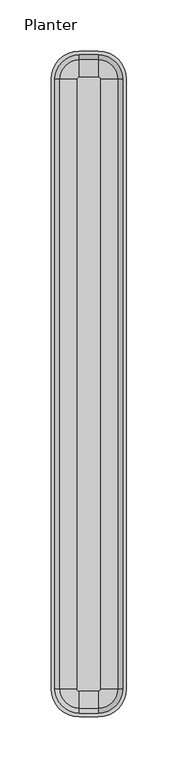
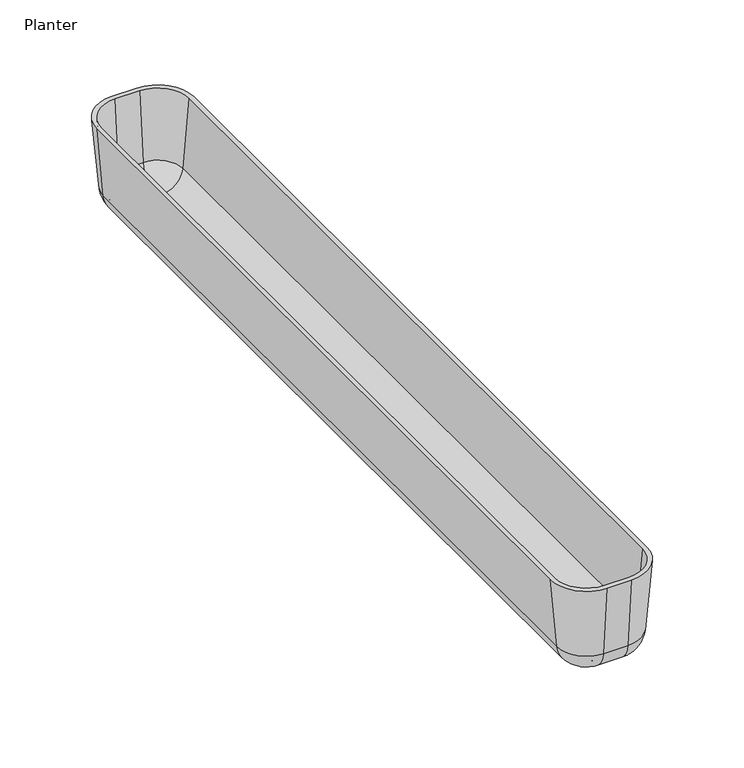
"""IFC4 building model written with IfcOpenShell, lengths in millimetres: furniture geometry, Planter."""

from ifc_helpers import new_model, si_unit, point, frame, origin, place, context, project, spatial, polyline, circle_curve, ellipse_curve, trimmed, source, transform, mapped, element, save
from ifc_brep_helpers import plane_surface, cylinder_surface, revolved_surface, advanced_brep


def planter_e9aa8756(model_context):
    return source(origin(), model_context, "Body", "AdvancedBrep", [
        advanced_brep(
        [(-9.4480736, 326.4806307, 525.2987367), (-9.4480736, 346.2134859, 543.3805671), (8.9373537, 346.2134859, 543.3805671), (8.9373537, 326.4806307, 525.2987367), (-9.4480736, 342.5832981, 544.3008765), (-9.4480736, 325.8865844, 529.0069667), (8.9373537, 325.8865844, 529.0069667), (8.9373537, 342.5832981, 544.3008765), (8.9373537, 347.3860828, 598.9587754), (-9.4480736, 347.3860828, 598.9587754), (-9.4480736, 351.075949, 598.9587754), (8.9373537, 351.075949, 598.9587754), (12.0359728, 323.3820115, 525.2987367), (31.768828, 323.3820115, 543.3805671), (31.768828, -272.6679521, 543.3805671), (12.0359728, -272.6679521, 525.2987367), (28.1386403, 323.3820115, 544.3008765), (11.4419265, 323.3820115, 529.0069667), (11.4419265, -272.6679521, 529.0069667), (28.1386403, -272.6679521, 544.3008765), (32.941425, -272.6679521, 598.9587754), (32.941425, 323.3820115, 598.9587754), (36.6312912, 323.3820115, 598.9587754), (36.6312912, -272.6679521, 598.9587754), (8.9373537, -275.7665712, 525.2987367), (8.9373537, -295.4994264, 543.3805671), (-9.4480736, -295.4994264, 543.3805671), (-9.4480736, -275.7665712, 525.2987367), (8.9373537, -291.8692387, 544.3008765), (8.9373537, -275.1725249, 529.0069667), (-9.4480736, -275.1725249, 529.0069667), (-9.4480736, -291.8692387, 544.3008765), (-9.4480736, -296.6720234, 598.9587754), (8.9373537, -296.6720234, 598.9587754), (8.9373537, -300.3618896, 598.9587754), (-9.4480736, -300.3618896, 598.9587754), (-12.5466927, -272.6679521, 525.2987367), (-32.2795479, -272.6679521, 543.3805671), (-32.2795479, 323.3820115, 543.3805671), (-12.5466927, 323.3820115, 525.2987367), (-28.6493602, -272.6679521, 544.3008765), (-11.9526464, -272.6679521, 529.0069667), (-11.9526464, 323.3820115, 529.0069667), (-28.6493602, 323.3820115, 544.3008765), (-33.4521448, 323.3820115, 598.9587754), (-33.4521448, -272.6679521, 598.9587754), (-37.1420111, -272.6679521, 598.9587754), (-37.1420111, 323.3820115, 598.9587754)],
        [
            (0, 1, circle_curve(frame((-9.4480736, 326.4806307, 545.1069682), z_axis=(1.0, 0.0, 0.0), x_axis=(0.0, 1.0, 0.0)), 19.8082315)),
            (1, 2),
            (2, 3, circle_curve(frame((8.9373537, 326.4806307, 545.1069682), z_axis=(-1.0, 0.0, 0.0), x_axis=(0.0, 1.0, 0.0)), 19.8082315)),
            (3, 0),
            (4, 5, circle_curve(frame((-9.4480736, 325.8865844, 545.7680152), z_axis=(-1.0, 0.0, 0.0), x_axis=(0.0, -1.0, 0.0)), 16.7610485)),
            (5, 6),
            (6, 7, circle_curve(frame((8.9373537, 325.8865844, 545.7680152), z_axis=(1.0, 0.0, 0.0), x_axis=(0.0, -1.0, 0.0)), 16.7610485)),
            (7, 4),
            (7, 8),
            (8, 9),
            (9, 4),
            (1, 10),
            (10, 11),
            (11, 2),
            (12, 13, circle_curve(frame((12.0359728, 323.3820115, 545.1069682), z_axis=(0.0, -1.0, 0.0), x_axis=(1.0, 0.0, 0.0)), 19.8082315)),
            (13, 14),
            (14, 15, circle_curve(frame((12.0359728, -272.6679521, 545.1069682), z_axis=(0.0, 1.0, 0.0), x_axis=(1.0, 0.0, 0.0)), 19.8082315)),
            (15, 12),
            (16, 17, circle_curve(frame((11.4419265, 323.3820115, 545.7680152), z_axis=(0.0, 1.0, 0.0), x_axis=(-1.0, 0.0, 0.0)), 16.7610485)),
            (17, 18),
            (18, 19, circle_curve(frame((11.4419265, -272.6679521, 545.7680152), z_axis=(0.0, -1.0, 0.0), x_axis=(-1.0, 0.0, 0.0)), 16.7610485)),
            (19, 16),
            (19, 20),
            (20, 21),
            (21, 16),
            (13, 22),
            (22, 23),
            (23, 14),
            (24, 25, circle_curve(frame((8.9373537, -275.7665712, 545.1069682), z_axis=(-1.0, 0.0, 0.0), x_axis=(0.0, -1.0, 0.0)), 19.8082315)),
            (25, 26),
            (26, 27, circle_curve(frame((-9.4480736, -275.7665712, 545.1069682), z_axis=(1.0, 0.0, 0.0), x_axis=(0.0, -1.0, 0.0)), 19.8082315)),
            (27, 24),
            (28, 29, circle_curve(frame((8.9373537, -275.1725249, 545.7680152), z_axis=(1.0, 0.0, 0.0), x_axis=(0.0, 1.0, 0.0)), 16.7610485)),
            (29, 30),
            (30, 31, circle_curve(frame((-9.4480736, -275.1725249, 545.7680152), z_axis=(-1.0, 0.0, 0.0), x_axis=(0.0, 1.0, 0.0)), 16.7610485)),
            (31, 28),
            (31, 32),
            (32, 33),
            (33, 28),
            (25, 34),
            (34, 35),
            (35, 26),
            (36, 37, circle_curve(frame((-12.5466927, -272.6679521, 545.1069682), z_axis=(0.0, 1.0, 0.0), x_axis=(-1.0, 0.0, 0.0)), 19.8082315)),
            (37, 38),
            (38, 39, circle_curve(frame((-12.5466927, 323.3820115, 545.1069682), z_axis=(0.0, -1.0, 0.0), x_axis=(-1.0, 0.0, 0.0)), 19.8082315)),
            (39, 36),
            (40, 41, circle_curve(frame((-11.9526464, -272.6679521, 545.7680152), z_axis=(0.0, -1.0, 0.0), x_axis=(1.0, 0.0, 0.0)), 16.7610485)),
            (41, 42),
            (42, 43, circle_curve(frame((-11.9526464, 323.3820115, 545.7680152), z_axis=(0.0, 1.0, 0.0), x_axis=(1.0, 0.0, 0.0)), 16.7610485)),
            (43, 40),
            (43, 44),
            (44, 45),
            (45, 40),
            (37, 46),
            (46, 47),
            (47, 38),
            (0, 39, circle_curve(frame((-9.4480736, 323.3820115, 525.2987367), z_axis=(0.0, 0.0, 1.0), x_axis=(-1.0, 0.0, 0.0)), 3.0986191)),
            (38, 1, circle_curve(frame((-9.4480736, 323.3820115, 543.3805671), z_axis=(0.0, 0.0, -1.0), x_axis=(-1.0, 0.0, 0.0)), 22.8314743)),
            (4, 43, circle_curve(frame((-9.4480736, 323.3820115, 544.3008765), z_axis=(0.0, 0.0, 1.0), x_axis=(-1.0, 0.0, 0.0)), 19.2012866)),
            (42, 5, circle_curve(frame((-9.4480736, 323.3820115, 529.0069667), z_axis=(0.0, 0.0, -1.0), x_axis=(-1.0, 0.0, 0.0)), 2.5045728)),
            (9, 44, circle_curve(frame((-9.4480736, 323.3820115, 598.9587754), z_axis=(0.0, 0.0, 1.0), x_axis=(-1.0, 0.0, 0.0)), 24.0040713)),
            (47, 10, circle_curve(frame((-9.4480736, 323.3820115, 598.9587754), z_axis=(0.0, 0.0, -1.0), x_axis=(-1.0, 0.0, 0.0)), 27.6939375)),
            (2, 13, circle_curve(frame((8.9373537, 323.3820115, 543.3805671), z_axis=(0.0, 0.0, -1.0), x_axis=(0.0, 1.0, 0.0)), 22.8314743)),
            (12, 3, circle_curve(frame((8.9373537, 323.3820115, 525.2987367), z_axis=(0.0, 0.0, 1.0), x_axis=(0.0, 1.0, 0.0)), 3.0986191)),
            (6, 17, circle_curve(frame((8.9373537, 323.3820115, 529.0069667), z_axis=(0.0, 0.0, -1.0), x_axis=(0.0, 1.0, 0.0)), 2.5045728)),
            (16, 7, circle_curve(frame((8.9373537, 323.3820115, 544.3008765), z_axis=(0.0, 0.0, 1.0), x_axis=(0.0, 1.0, 0.0)), 19.2012866)),
            (21, 8, circle_curve(frame((8.9373537, 323.3820115, 598.9587754), z_axis=(0.0, 0.0, 1.0), x_axis=(0.0, 1.0, 0.0)), 24.0040713)),
            (11, 22, circle_curve(frame((8.9373537, 323.3820115, 598.9587754), z_axis=(0.0, 0.0, -1.0), x_axis=(0.0, 1.0, 0.0)), 27.6939375)),
            (14, 25, circle_curve(frame((8.9373537, -272.6679521, 543.3805671), z_axis=(0.0, 0.0, -1.0), x_axis=(1.0, 0.0, 0.0)), 22.8314743)),
            (24, 15, circle_curve(frame((8.9373537, -272.6679521, 525.2987367), z_axis=(0.0, 0.0, 1.0), x_axis=(1.0, 0.0, 0.0)), 3.0986191)),
            (18, 29, circle_curve(frame((8.9373537, -272.6679521, 529.0069667), z_axis=(0.0, 0.0, -1.0), x_axis=(1.0, 0.0, 0.0)), 2.5045728)),
            (28, 19, circle_curve(frame((8.9373537, -272.6679521, 544.3008765), z_axis=(0.0, 0.0, 1.0), x_axis=(1.0, 0.0, 0.0)), 19.2012866)),
            (33, 20, circle_curve(frame((8.9373537, -272.6679521, 598.9587754), z_axis=(0.0, 0.0, 1.0), x_axis=(1.0, 0.0, 0.0)), 24.0040713)),
            (23, 34, circle_curve(frame((8.9373537, -272.6679521, 598.9587754), z_axis=(0.0, 0.0, -1.0), x_axis=(1.0, 0.0, 0.0)), 27.6939375)),
            (26, 37, circle_curve(frame((-9.4480736, -272.6679521, 543.3805671), z_axis=(0.0, 0.0, -1.0), x_axis=(0.0, -1.0, 0.0)), 22.8314743)),
            (36, 27, circle_curve(frame((-9.4480736, -272.6679521, 525.2987367), z_axis=(0.0, 0.0, 1.0), x_axis=(0.0, -1.0, 0.0)), 3.0986191)),
            (41, 30, circle_curve(frame((-9.4480736, -272.6679521, 529.0069667), z_axis=(0.0, 0.0, 1.0), x_axis=(0.0, -1.0, 0.0)), 2.5045728)),
            (40, 31, circle_curve(frame((-9.4480736, -272.6679521, 544.3008765), z_axis=(0.0, 0.0, 1.0), x_axis=(0.0, -1.0, 0.0)), 19.2012866)),
            (45, 32, circle_curve(frame((-9.4480736, -272.6679521, 598.9587754), z_axis=(0.0, 0.0, 1.0), x_axis=(0.0, -1.0, 0.0)), 24.0040713)),
            (46, 35, circle_curve(frame((-9.4480736, -272.6679521, 598.9587754), z_axis=(0.0, 0.0, 1.0), x_axis=(0.0, -1.0, 0.0)), 27.6939375)),
        ],
        [
            cylinder_surface(frame((-9.4480736, 326.4806307, 545.1069682), z_axis=(-1.0, 0.0, 0.0), x_axis=(0.0, 1.0, 0.0)), 19.8082315),
            revolved_surface(polyline([(8.9373537, 309.1255359, 545.7680152), (-9.4480736, 309.1255359, 545.7680152)]), (-9.4480736, 325.8865844, 545.7680152), (1.0, 0.0, 0.0)),
            plane_surface(frame((-9.4480736, 342.5832981, 544.3008765), z_axis=(0.0, -0.9961616524560776, 0.08753263491965149), x_axis=(1.0, 0.0, 0.0))),
            plane_surface(frame((-9.4480736, 351.075949, 598.9587754), z_axis=(0.0, 0.9961946980917454, -0.08715574274765936), x_axis=(1.0, 0.0, 0.0))),
            cylinder_surface(frame((12.0359728, 323.3820115, 545.1069682), z_axis=(0.0, 1.0, 0.0), x_axis=(1.0, 0.0, 0.0)), 19.8082315),
            revolved_surface(polyline([(-5.319122000000002, -272.6679521, 545.7680152), (-5.319122000000002, 323.3820115, 545.7680152)]), (11.4419265, 323.3820115, 545.7680152), (0.0, -1.0, 0.0)),
            plane_surface(frame((28.1386403, 323.3820115, 544.3008765), z_axis=(-0.9961616524560776, 0.0, 0.08753263491965149), x_axis=(0.0, -1.0, 0.0))),
            plane_surface(frame((36.6312912, 323.3820115, 598.9587754), z_axis=(0.9961946980917454, 0.0, -0.08715574274765936), x_axis=(0.0, -1.0, 0.0))),
            cylinder_surface(frame((8.9373537, -275.7665712, 545.1069682), z_axis=(1.0, 0.0, 0.0), x_axis=(0.0, -1.0, 0.0)), 19.8082315),
            revolved_surface(polyline([(-9.4480736, -258.41147639999997, 545.7680152), (8.9373537, -258.41147639999997, 545.7680152)]), (8.9373537, -275.1725249, 545.7680152), (-1.0, 0.0, 0.0)),
            plane_surface(frame((8.9373537, -291.8692387, 544.3008765), z_axis=(0.0, 0.9961616524560776, 0.08753263491965149), x_axis=(-1.0, 0.0, 0.0))),
            plane_surface(frame((8.9373537, -300.3618896, 598.9587754), z_axis=(0.0, -0.9961946980917454, -0.08715574274765936), x_axis=(-1.0, 0.0, 0.0))),
            cylinder_surface(frame((-12.5466927, -272.6679521, 545.1069682), z_axis=(0.0, -1.0, 0.0), x_axis=(-1.0, 0.0, 0.0)), 19.8082315),
            revolved_surface(polyline([(4.8084021, 323.3820115, 545.7680152), (4.8084021, -272.6679521, 545.7680152)]), (-11.9526464, -272.6679521, 545.7680152), (0.0, 1.0, 0.0)),
            plane_surface(frame((-28.6493602, -272.6679521, 544.3008765), z_axis=(0.9961616524560776, 0.0, 0.08753263491965149), x_axis=(0.0, 1.0, 0.0))),
            plane_surface(frame((-37.1420111, -272.6679521, 598.9587754), z_axis=(-0.9961946980917454, 0.0, -0.08715574274765936), x_axis=(0.0, 1.0, 0.0))),
            revolved_surface(trimmed(ellipse_curve(frame((-12.5466927, 323.3820115, 545.1069682), z_axis=(0.0, -1.0, 0.0), x_axis=(-1.0, 0.0, 0.0)), 19.8082315, 19.8082315), [point((-32.2795479, 323.3820115, 543.3805671))], [point((-12.5466927, 323.3820115, 525.2987367))], True, "CARTESIAN"), (-9.4480736, 323.3820115, 523.0318571), (0.0, 0.0, -1.0)),
            revolved_surface(trimmed(ellipse_curve(frame((-11.9526464, 323.3820115, 545.7680152), z_axis=(0.0, 1.0, 0.0), x_axis=(1.0, 0.0, 0.0)), 16.7610485, 16.7610485), [point((-11.9526464, 323.3820115, 529.0069667))], [point((-28.6493602, 323.3820115, 544.3008765))], True, "CARTESIAN"), (-9.4480736, 323.3820115, 523.0318571), (0.0, 0.0, -1.0)),
            revolved_surface(polyline([(-28.6493602, 323.3820115, 544.3008765), (-33.4521448, 323.3820115, 598.9587754)]), (-9.4480736, 323.3820115, 523.0318571), (0.0, 0.0, -1.0)),
            revolved_surface(polyline([(-37.1420111, 323.3820115, 598.9587754), (-32.2795479, 323.3820115, 543.3805671)]), (-9.4480736, 323.3820115, 523.0318571), (0.0, 0.0, -1.0)),
            revolved_surface(trimmed(ellipse_curve(frame((8.9373537, 326.4806307, 545.1069682), z_axis=(-1.0, 0.0, 0.0), x_axis=(0.0, 1.0, 0.0)), 19.8082315, 19.8082315), [point((8.9373537, 346.2134859, 543.3805671))], [point((8.9373537, 326.4806307, 525.2987367))], True, "CARTESIAN"), (8.9373537, 323.3820115, 523.0318571), (0.0, 0.0, -1.0)),
            revolved_surface(trimmed(ellipse_curve(frame((8.9373537, 325.8865844, 545.7680152), z_axis=(1.0, 0.0, 0.0), x_axis=(0.0, -1.0, 0.0)), 16.7610485, 16.7610485), [point((8.9373537, 325.8865844, 529.0069667))], [point((8.9373537, 342.5832981, 544.3008765))], True, "CARTESIAN"), (8.9373537, 323.3820115, 523.0318571), (0.0, 0.0, -1.0)),
            revolved_surface(polyline([(8.9373537, 342.5832981, 544.3008765), (8.9373537, 347.3860828, 598.9587754)]), (8.9373537, 323.3820115, 523.0318571), (0.0, 0.0, -1.0)),
            revolved_surface(polyline([(8.9373537, 351.075949, 598.9587754), (8.9373537, 346.2134859, 543.3805671)]), (8.9373537, 323.3820115, 523.0318571), (0.0, 0.0, -1.0)),
            revolved_surface(trimmed(ellipse_curve(frame((12.0359728, -272.6679521, 545.1069682), z_axis=(0.0, 1.0, 0.0), x_axis=(1.0, 0.0, 0.0)), 19.8082315, 19.8082315), [point((31.768828, -272.6679521, 543.3805671))], [point((12.0359728, -272.6679521, 525.2987367))], True, "CARTESIAN"), (8.9373537, -272.6679521, 523.0318571), (0.0, 0.0, -1.0)),
            revolved_surface(trimmed(ellipse_curve(frame((11.4419265, -272.6679521, 545.7680152), z_axis=(0.0, -1.0, 0.0), x_axis=(-1.0, 0.0, 0.0)), 16.7610485, 16.7610485), [point((11.4419265, -272.6679521, 529.0069667))], [point((28.1386403, -272.6679521, 544.3008765))], True, "CARTESIAN"), (8.9373537, -272.6679521, 523.0318571), (0.0, 0.0, -1.0)),
            revolved_surface(polyline([(28.1386403, -272.6679521, 544.3008765), (32.941425, -272.6679521, 598.9587754)]), (8.9373537, -272.6679521, 523.0318571), (0.0, 0.0, -1.0)),
            revolved_surface(polyline([(36.6312912, -272.6679521, 598.9587754), (31.768828, -272.6679521, 543.3805671)]), (8.9373537, -272.6679521, 523.0318571), (0.0, 0.0, -1.0)),
            revolved_surface(trimmed(ellipse_curve(frame((-9.4480736, -275.7665712, 545.1069682), z_axis=(1.0, 0.0, 0.0), x_axis=(0.0, -1.0, 0.0)), 19.8082315, 19.8082315), [point((-9.4480736, -295.4994264, 543.3805671))], [point((-9.4480736, -275.7665712, 525.2987367))], True, "CARTESIAN"), (-9.4480736, -272.6679521, 523.0318571), (0.0, 0.0, -1.0)),
            plane_surface(frame((-9.4480736, -272.6679521, 525.2987367), z_axis=(0.0, 0.0, -1.0), x_axis=(0.0, -1.0, 0.0))),
            plane_surface(frame((-9.4480736, -272.6679521, 529.0069667), z_axis=(0.0, 0.0, 1.0), x_axis=(0.0, -1.0, 0.0))),
            revolved_surface(trimmed(ellipse_curve(frame((-9.4480736, -275.1725249, 545.7680152), z_axis=(-1.0, 0.0, 0.0), x_axis=(0.0, 1.0, 0.0)), 16.7610485, 16.7610485), [point((-9.4480736, -275.1725249, 529.0069667))], [point((-9.4480736, -291.8692387, 544.3008765))], True, "CARTESIAN"), (-9.4480736, -272.6679521, 523.0318571), (0.0, 0.0, -1.0)),
            revolved_surface(polyline([(-9.4480736, -291.8692387, 544.3008765), (-9.4480736, -296.6720234, 598.9587754)]), (-9.4480736, -272.6679521, 523.0318571), (0.0, 0.0, -1.0)),
            plane_surface(frame((-9.4480736, -272.6679521, 598.9587754), z_axis=(0.0, 0.0, 1.0), x_axis=(0.0, -1.0, 0.0))),
            revolved_surface(polyline([(-9.4480736, -300.3618896, 598.9587754), (-9.4480736, -295.4994264, 543.3805671)]), (-9.4480736, -272.6679521, 523.0318571), (0.0, 0.0, -1.0)),
        ],
        [
            (0, [[1, 2, 3, 4]]),
            (1, [[5, 6, 7, 8]]),
            (2, [[-8, 9, 10, 11]]),
            (3, [[-2, 12, 13, 14]]),
            (4, [[15, 16, 17, 18]]),
            (5, [[19, 20, 21, 22]]),
            (6, [[-22, 23, 24, 25]]),
            (7, [[-16, 26, 27, 28]]),
            (8, [[29, 30, 31, 32]]),
            (9, [[33, 34, 35, 36]]),
            (10, [[-36, 37, 38, 39]]),
            (11, [[-30, 40, 41, 42]]),
            (12, [[43, 44, 45, 46]]),
            (13, [[47, 48, 49, 50]]),
            (14, [[-50, 51, 52, 53]]),
            (15, [[-44, 54, 55, 56]]),
            (16, [[-1, 57, -45, 58]]),
            (17, [[-5, 59, -49, 60]]),
            (18, [[-11, 61, -51, -59]]),
            (19, [[-12, -58, -56, 62]]),
            (20, [[-3, 63, -15, 64]]),
            (21, [[-7, 65, -19, 66]]),
            (22, [[-9, -66, -25, 67]]),
            (23, [[-14, 68, -26, -63]]),
            (24, [[-17, 69, -29, 70]]),
            (25, [[-21, 71, -33, 72]]),
            (26, [[-23, -72, -39, 73]]),
            (27, [[-28, 74, -40, -69]]),
            (28, [[-31, 75, -43, 76]]),
            (29, [[-4, -64, -18, -70, -32, -76, -46, -57]]),
            (30, [[-6, -60, -48, 77, -34, -71, -20, -65]]),
            (31, [[-35, -77, -47, 78]]),
            (32, [[-37, -78, -53, 79]]),
            (33, [[-13, -62, -55, 80, -41, -74, -27, -68], [-10, -67, -24, -73, -38, -79, -52, -61]]),
            (34, [[-42, -80, -54, -75]]),
        ],
    ),
    ])


if __name__ == "__main__":
    model = new_model("IFC4")
    model_context = context("Model", 3, world=origin())
    ifc_project = project(units=[si_unit("LENGTHUNIT", "METRE", prefix="MILLI")], contexts=[model_context])
    site = spatial("IfcSite", under=ifc_project)
    building = spatial("IfcBuilding", under=site)
    placement = place(None, origin())
    planter_shape = planter_e9aa8756(model_context)
    element("IfcFurniture", 1, ObjectType="Planter", at=placement, inside=building, context=model_context, shape_type="MappedRepresentation", body=[
        mapped(planter_shape, transform((0.0, 0.0, 0.0), x_axis=(1.0, 0.0, 0.0), y_axis=(0.0, 1.0, 0.0), z_axis=(0.0, 0.0, 1.0))),
    ])
    save(model, "model.ifc")
